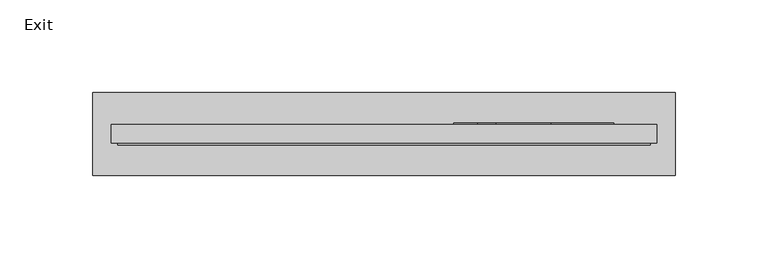
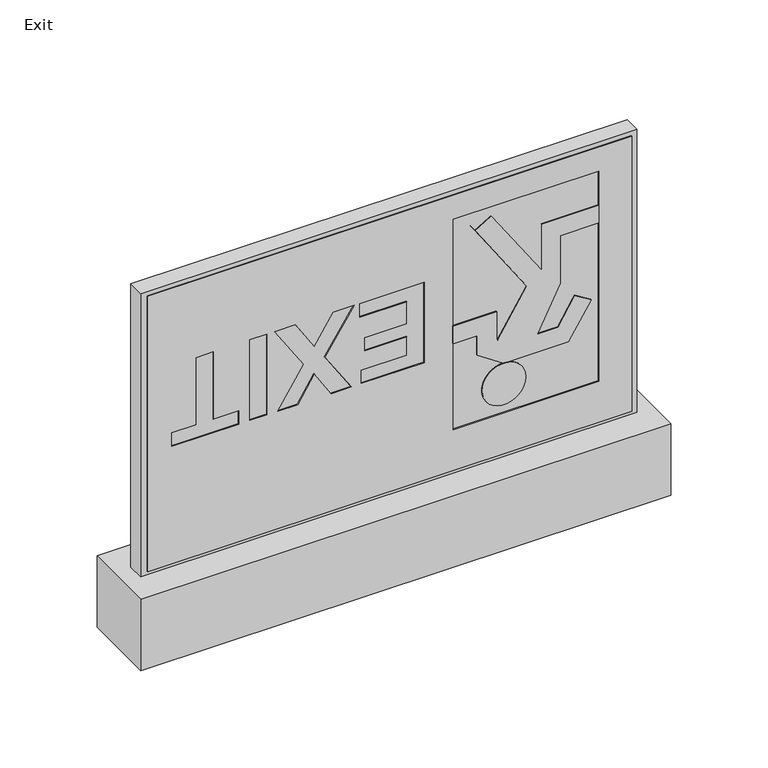
"""IFC4 building model written with IfcOpenShell, lengths in millimetres: light fixture geometry, Exit."""

from ifc_helpers import new_model, si_unit, point, frame, frame_2d, origin, origin_with_axes, place, context, project, spatial, polyline, circle_curve, trimmed, segment, composite_curve, outline, extrude, source, transform, mapped, element, save


def exit_6cf9b160(model_context):
    return source(origin(), model_context, "Body", "SweptSolid", [
        extrude(outline(polyline([(147.5, 5.0), (147.5, -5.0), (-147.5, -5.0), (-147.5, 5.0), (147.5, 5.0)])), frame((0.0, 0.0, 45.0), z_axis=(0.0, 0.0, 1.0), x_axis=(1.0, 0.0, 0.0)), (0.0, 0.0, 1.0), 178.0),
        extrude(outline(polyline([(157.5, 22.5), (157.5, -22.5), (-157.5, -22.5), (-157.5, 22.5), (157.5, 22.5)])), origin_with_axes(), (0.0, 0.0, 1.0), 45.0),
        extrude(outline(composite_curve([segment(trimmed(circle_curve(frame_2d((91.4617049, 67.8544593)), 13.0), [point((91.4617049, 54.8544593))], [point((91.4617049, 80.8544593))], False, "CARTESIAN"), True, "CONTINUOUS"), segment(trimmed(circle_curve(frame_2d((91.4617049, 67.8544593)), 13.0), [point((91.4617049, 80.8544593))], [point((91.4617049, 54.8544593))], False, "CARTESIAN"), True, "CONTINUOUS")], self_intersect=False)), frame((0.0, -6.0, 0.0), z_axis=(0.0, 1.0, 0.0), x_axis=(0.0, 0.0, 1.0)), (0.0, 0.0, 1.0), 1.0),
        extrude(outline(polyline([(127.3976962, 52.0232796), (115.1438178, 52.0232796), (104.4617049, 67.8601632), (104.4617049, 106.1701386), (126.1388867, 119.7155451), (132.1954016, 110.0230953), (115.7344261, 100.1323433), (115.7344261, 87.618158), (142.8984821, 101.4589358), (172.8984821, 101.4589358), (172.8984821, 124.1079391), (183.8984821, 124.1079391), (183.8984821, 90.4589358), (154.8643683, 90.4589358), (199.3625192, 60.4445541), (193.5420577, 50.7576794), (147.9449912, 81.5132891), (120.2584024, 64.2127883), (120.858827, 63.6123637), (138.3976962, 63.6123637), (138.3976962, 37.6123637), (127.3976962, 37.6123637), (127.3976962, 52.0232796)])), frame((0.0, -6.0, 0.0), z_axis=(0.0, 1.0, 0.0), x_axis=(0.0, 0.0, 1.0)), (0.0, 0.0, 1.0), 1.0),
        extrude(outline(polyline([(47.5, 143.8582677), (220.5, 143.8582677), (220.5, -143.8582677), (47.5, -143.8582677), (47.5, 143.8582677)]), holes=[polyline([(73.3740017, 124.1079391), (73.3740017, 37.6123637), (205.3740017, 37.6123637), (205.3740017, 124.1079391), (73.3740017, 124.1079391)]), polyline([(163.3627985, -17.9407712), (172.0034639, -17.9407712), (172.0034639, 20.4694736), (121.4147062, 20.4694736), (121.4147062, -16.9809396), (129.799014, -16.9809396), (129.799014, 10.0572103), (141.2297731, 10.0572103), (141.2297731, -14.9427897), (149.5542885, -14.9427897), (149.5542885, 10.0572103), (163.3627985, 10.0572103), (163.3627985, -17.9407712)]), polyline([(172.0034639, -33.5310406), (172.0034639, -21.2031082), (145.4563886, -38.5841672), (121.2918334, -22.9272759), (121.2918334, -34.8571754), (137.1934388, -44.7953324), (121.2918334, -54.7334895), (121.2918334, -66.663389), (145.4563886, -51.0064977), (172.0034639, -68.3875567), (172.0034639, -56.0596243), (154.3701374, -44.7953324), (172.0034639, -33.5310406)]), polyline([(172.0034639, -73.0297486), (121.4147062, -73.0297486), (121.4147062, -83.3713822), (172.0034639, -83.3713822), (172.0034639, -73.0297486)]), polyline([(172.0034639, -104.833052), (129.799014, -104.833052), (129.799014, -89.8210032), (121.2918334, -89.8210032), (121.2918334, -129.741933), (129.799014, -129.741933), (129.799014, -115.0634853), (172.0034639, -115.0634853), (172.0034639, -104.833052)])]), frame((0.0, -6.0, 0.0), z_axis=(0.0, 1.0, 0.0), x_axis=(0.0, 0.0, 1.0)), (0.0, 0.0, 1.0), 1.0),
        extrude(outline(composite_curve([segment(trimmed(circle_curve(frame_2d((91.4617049, 67.8544593)), 13.0), [point((91.4617049, 54.8544593))], [point((91.4617049, 80.8544593))], False, "CARTESIAN"), True, "CONTINUOUS"), segment(trimmed(circle_curve(frame_2d((91.4617049, 67.8544593)), 13.0), [point((91.4617049, 80.8544593))], [point((91.4617049, 54.8544593))], False, "CARTESIAN"), True, "CONTINUOUS")], self_intersect=False)), frame((0.0, -6.0, 0.0), z_axis=(0.0, 1.0, 0.0), x_axis=(0.0, 0.0, 1.0)), (0.0, 0.0, 1.0), 1.0),
        extrude(outline(polyline([(127.3976962, 52.0232796), (115.1438178, 52.0232796), (104.4617049, 67.8601632), (104.4617049, 106.1701386), (126.1388867, 119.7155451), (132.1954016, 110.0230953), (115.7344261, 100.1323433), (115.7344261, 87.618158), (142.8984821, 101.4589358), (172.8984821, 101.4589358), (172.8984821, 124.1079391), (183.8984821, 124.1079391), (183.8984821, 90.4589358), (154.8643683, 90.4589358), (199.3625192, 60.4445541), (193.5420577, 50.7576794), (147.9449912, 81.5132891), (120.2584024, 64.2127883), (120.858827, 63.6123637), (138.3976962, 63.6123637), (138.3976962, 37.6123637), (127.3976962, 37.6123637), (127.3976962, 52.0232796)])), frame((0.0, -6.0, 0.0), z_axis=(0.0, 1.0, 0.0), x_axis=(0.0, 0.0, 1.0)), (0.0, 0.0, 1.0), 1.0),
        extrude(outline(composite_curve([segment(trimmed(circle_curve(frame_2d((91.4617049, 67.8544593)), 13.0), [point((91.4617049, 54.8544593))], [point((91.4617049, 80.8544593))], False, "CARTESIAN"), True, "CONTINUOUS"), segment(trimmed(circle_curve(frame_2d((91.4617049, 67.8544593)), 13.0), [point((91.4617049, 80.8544593))], [point((91.4617049, 54.8544593))], False, "CARTESIAN"), True, "CONTINUOUS")], self_intersect=False)), frame((0.0, -6.0, 0.0), z_axis=(0.0, 1.0, 0.0), x_axis=(0.0, 0.0, 1.0)), (0.0, 0.0, 1.0), 12.0),
        extrude(outline(polyline([(127.3976962, 52.0232796), (115.1438178, 52.0232796), (104.4617049, 67.8601632), (104.4617049, 106.1701386), (126.1388867, 119.7155451), (132.1954016, 110.0230953), (115.7344261, 100.1323433), (115.7344261, 87.618158), (142.8984821, 101.4589358), (172.8984821, 101.4589358), (172.8984821, 124.1079391), (183.8984821, 124.1079391), (183.8984821, 90.4589358), (154.8643683, 90.4589358), (199.3625192, 60.4445541), (193.5420577, 50.7576794), (147.9449912, 81.5132891), (120.2584024, 64.2127883), (120.858827, 63.6123637), (138.3976962, 63.6123637), (138.3976962, 37.6123637), (127.3976962, 37.6123637), (127.3976962, 52.0232796)])), frame((0.0, -6.0, 0.0), z_axis=(0.0, 1.0, 0.0), x_axis=(0.0, 0.0, 1.0)), (0.0, 0.0, 1.0), 12.0),
    ])


if __name__ == "__main__":
    model = new_model("IFC4")
    model_context = context("Model", 3, world=origin())
    ifc_project = project(units=[si_unit("LENGTHUNIT", "METRE", prefix="MILLI")], contexts=[model_context])
    site = spatial("IfcSite", under=ifc_project)
    building = spatial("IfcBuilding", under=site)
    placement = place(None, origin())
    ifc_exit_shape = exit_6cf9b160(model_context)
    element("IfcLightFixture", 1, ObjectType="Exit", at=placement, inside=building, context=model_context, shape_type="MappedRepresentation", body=[
        mapped(ifc_exit_shape, transform((0.0, 0.0, 0.0), x_axis=(1.0, 0.0, 0.0), y_axis=(0.0, 1.0, 0.0), z_axis=(0.0, 0.0, 1.0))),
    ])
    save(model, "model.ifc")
